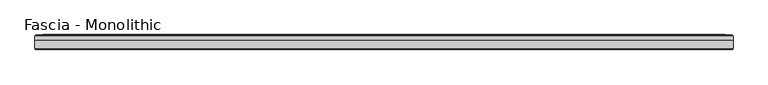
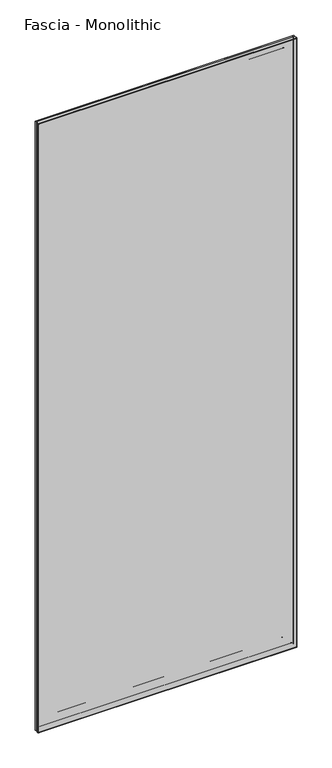
"""IFC4 building model written with IfcOpenShell, lengths in millimetres: proxy geometry, Fascia - Monolithic."""

from ifc_helpers import new_model, si_unit, frame, origin, place, context, project, spatial, ellipse_curve, source, transform, mapped, element, save
from ifc_brep_helpers import plane_surface, cylinder_surface, advanced_brep


def fascia_monolithic_f81b3ca3(model_context):
    return source(origin(), model_context, "Body", "AdvancedBrep", [
        advanced_brep(
        [(-556.258091, 15.8650077, 46.2434077), (556.258091, 15.8650077, 46.2434077), (556.5274987, 16.7386, 45.974), (-556.5274987, 16.7386, 45.974), (-557.4319063, 14.6911923, 45.0695923), (557.4319063, 14.6911923, 45.0695923), (-550.3453063, 15.8650077, 52.1561923), (550.3453063, 15.8650077, 52.1561923), (549.171491, 14.6911923, 53.3300077), (-549.171491, 14.6911923, 53.3300077), (-550.0758987, 16.7386, 52.4256), (550.0758987, 16.7386, 52.4256), (-533.7944987, 15.5956, 68.707), (533.7944987, 15.5956, 68.707), (534.5564987, 16.7386, 67.945), (-534.5564987, 16.7386, 67.945), (-521.4754987, 8.4836, 81.026), (521.4754987, 8.4836, 81.026), (521.4754987, 15.5956, 81.026), (-521.4754987, 15.5956, 81.026), (-602.5014987, 15.2146, 0.0), (602.5014987, 15.2146, 0.0), (602.5014987, 8.4836, 0.0), (-602.5014987, 8.4836, 0.0), (-600.9774987, 16.7386, 1.524), (600.9774987, 16.7386, 1.524), (-598.930091, 15.8650077, 3.5714077), (598.930091, 15.8650077, 3.5714077), (599.1994987, 16.7386, 3.302), (-599.1994987, 16.7386, 3.302), (-600.1039063, 14.6911923, 2.3975923), (600.1039063, 14.6911923, 2.3975923), (-593.0173063, 15.8650077, 9.4841923), (593.0173063, 15.8650077, 9.4841923), (591.843491, 14.6911923, 10.6580077), (-591.843491, 14.6911923, 10.6580077), (-592.7478987, 16.7386, 9.7536), (592.7478987, 16.7386, 9.7536), (-587.8583987, 16.7386, 14.6431), (587.8583987, 16.7386, 14.6431), (589.3823987, 16.7386, 13.1191), (-589.3823987, 16.7386, 13.1191), (-581.8893987, 16.7386, 20.6121), (581.8893987, 16.7386, 20.6121), (584.3023987, 16.7386, 18.1991), (-584.3023987, 16.7386, 18.1991), (556.258091, 15.8650077, 2946.4799923), (556.5274987, 16.7386, 2946.7494), (557.4319063, 14.6911923, 2947.6538077), (550.3453063, 15.8650077, 2940.5672077), (549.171491, 14.6911923, 2939.3933923), (550.0758987, 16.7386, 2940.2978), (533.7944987, 15.5956, 2924.0164), (534.5564987, 16.7386, 2924.7784), (521.4754987, 8.4836, 2911.6974), (521.4754987, 15.5956, 2911.6974), (602.5014987, 15.2146, 2992.7234), (602.5014987, 8.4836, 2992.7234), (600.9774987, 16.7386, 2991.1994), (598.930091, 15.8650077, 2989.1519923), (599.1994987, 16.7386, 2989.4214), (600.1039063, 14.6911923, 2990.3258077), (593.0173063, 15.8650077, 2983.2392077), (591.843491, 14.6911923, 2982.0653923), (592.7478987, 16.7386, 2982.9698), (587.8583987, 16.7386, 2978.0803), (589.3823987, 16.7386, 2979.6043), (581.8893987, 16.7386, 2972.1113), (584.3023987, 16.7386, 2974.5243), (-556.258091, 15.8650077, 2946.4799923), (-556.5274987, 16.7386, 2946.7494), (-557.4319063, 14.6911923, 2947.6538077), (-550.3453063, 15.8650077, 2940.5672077), (-549.171491, 14.6911923, 2939.3933923), (-550.0758987, 16.7386, 2940.2978), (-533.7944987, 15.5956, 2924.0164), (-534.5564987, 16.7386, 2924.7784), (-521.4754987, 8.4836, 2911.6974), (-521.4754987, 15.5956, 2911.6974), (-602.5014987, 15.2146, 2992.7234), (-602.5014987, 8.4836, 2992.7234), (-600.9774987, 16.7386, 2991.1994), (-598.930091, 15.8650077, 2989.1519923), (-599.1994987, 16.7386, 2989.4214), (-600.1039063, 14.6911923, 2990.3258077), (-593.0173063, 15.8650077, 2983.2392077), (-591.843491, 14.6911923, 2982.0653923), (-592.7478987, 16.7386, 2982.9698), (-587.8583987, 16.7386, 2978.0803), (-589.3823987, 16.7386, 2979.6043), (-581.8893987, 16.7386, 2972.1113), (-584.3023987, 16.7386, 2974.5243)],
        [
            (0, 1),
            (1, 2, ellipse_curve(frame((556.6236833, 16.2306, 45.8778154), z_axis=(-0.7071067811865475, 0.0, -0.7071067811865475), x_axis=(-0.7071067811865476, 0.0, 0.7071067811865474)), 0.7311846, 0.5170256)),
            (2, 3),
            (3, 0, ellipse_curve(frame((-556.6236833, 16.2306, 45.8778154), z_axis=(0.7071067811865475, 0.0, -0.7071067811865475), x_axis=(-0.7071067811865476, 0.0, -0.7071067811865474)), 0.7311846, 0.5170256)),
            (4, 5),
            (5, 1),
            (0, 4),
            (6, 7),
            (7, 8),
            (8, 9),
            (9, 6),
            (10, 11),
            (11, 7, ellipse_curve(frame((549.979714, 16.2306, 52.5217846), z_axis=(-0.7071067811865475, 0.0, -0.7071067811865475), x_axis=(-0.7071067811865476, 0.0, 0.7071067811865474)), 0.7311846, 0.5170256)),
            (6, 10, ellipse_curve(frame((-549.979714, 16.2306, 52.5217846), z_axis=(0.7071067811865475, 0.0, -0.7071067811865475), x_axis=(-0.7071067811865476, 0.0, -0.7071067811865474)), 0.7311846, 0.5170256)),
            (12, 13),
            (13, 14),
            (14, 15),
            (15, 12),
            (16, 17),
            (17, 18),
            (18, 19),
            (19, 16),
            (20, 21),
            (21, 22),
            (22, 23),
            (23, 20),
            (24, 25),
            (25, 21),
            (20, 24),
            (26, 27),
            (27, 28, ellipse_curve(frame((599.2956833, 16.2306, 3.2058154), z_axis=(-0.7071067811865475, 0.0, -0.7071067811865475), x_axis=(-0.7071067811865476, 0.0, 0.7071067811865474)), 0.7311846, 0.5170256)),
            (28, 29),
            (29, 26, ellipse_curve(frame((-599.2956833, 16.2306, 3.2058154), z_axis=(0.7071067811865475, 0.0, -0.7071067811865475), x_axis=(-0.7071067811865476, 0.0, -0.7071067811865474)), 0.7311846, 0.5170256)),
            (30, 31),
            (31, 27),
            (26, 30),
            (32, 33),
            (33, 34),
            (34, 35),
            (35, 32),
            (36, 37),
            (37, 33, ellipse_curve(frame((592.651714, 16.2306, 9.8497846), z_axis=(-0.7071067811865475, 0.0, -0.7071067811865475), x_axis=(-0.7071067811865476, 0.0, 0.7071067811865474)), 0.7311846, 0.5170256)),
            (32, 36, ellipse_curve(frame((-592.651714, 16.2306, 9.8497846), z_axis=(0.7071067811865475, 0.0, -0.7071067811865475), x_axis=(-0.7071067811865476, 0.0, -0.7071067811865474)), 0.7311846, 0.5170256)),
            (38, 39),
            (39, 40, ellipse_curve(frame((588.6203987, 16.7386, 13.8811), z_axis=(-0.7071067811865475, 0.0, -0.7071067811865475), x_axis=(-0.7071067811865476, 0.0, 0.7071067811865474)), 1.0776307, 0.762)),
            (40, 41),
            (41, 38, ellipse_curve(frame((-588.6203987, 16.7386, 13.8811), z_axis=(0.7071067811865475, 0.0, -0.7071067811865475), x_axis=(-0.7071067811865476, 0.0, -0.7071067811865474)), 1.0776307, 0.762)),
            (42, 43),
            (43, 44, ellipse_curve(frame((583.0958987, 16.0202269, 19.4056), z_axis=(-0.7071067811865475, 0.0, -0.7071067811865475), x_axis=(-0.7071067811865476, 0.0, 0.7071067811865474)), 1.9858007, 1.4041731)),
            (44, 45),
            (45, 42, ellipse_curve(frame((-583.0958987, 16.0202269, 19.4056), z_axis=(0.7071067811865475, 0.0, -0.7071067811865475), x_axis=(-0.7071067811865476, 0.0, -0.7071067811865474)), 1.9858007, 1.4041731)),
            (1, 46),
            (46, 47, ellipse_curve(frame((556.6236833, 16.2306, 2946.8455846), z_axis=(0.7071067811865475, 0.0, -0.7071067811865475), x_axis=(-0.7071067811865474, 0.0, -0.7071067811865476)), 0.7311846, 0.5170256)),
            (47, 2),
            (5, 48),
            (48, 46),
            (7, 49),
            (49, 50),
            (50, 8),
            (11, 51),
            (51, 49, ellipse_curve(frame((549.979714, 16.2306, 2940.2016154), z_axis=(0.7071067811865475, 0.0, -0.7071067811865475), x_axis=(-0.7071067811865474, 0.0, -0.7071067811865476)), 0.7311846, 0.5170256)),
            (13, 52),
            (52, 53),
            (53, 14),
            (17, 54),
            (54, 55),
            (55, 18),
            (21, 56),
            (56, 57),
            (57, 22),
            (25, 58),
            (58, 56),
            (27, 59),
            (59, 60, ellipse_curve(frame((599.2956833, 16.2306, 2989.5175846), z_axis=(0.7071067811865475, 0.0, -0.7071067811865475), x_axis=(-0.7071067811865474, 0.0, -0.7071067811865476)), 0.7311846, 0.5170256)),
            (60, 28),
            (31, 61),
            (61, 59),
            (33, 62),
            (62, 63),
            (63, 34),
            (37, 64),
            (64, 62, ellipse_curve(frame((592.651714, 16.2306, 2982.8736154), z_axis=(0.7071067811865475, 0.0, -0.7071067811865475), x_axis=(-0.7071067811865474, 0.0, -0.7071067811865476)), 0.7311846, 0.5170256)),
            (39, 65),
            (65, 66, ellipse_curve(frame((588.6203987, 16.7386, 2978.8423), z_axis=(0.7071067811865475, 0.0, -0.7071067811865475), x_axis=(-0.7071067811865474, 0.0, -0.7071067811865476)), 1.0776307, 0.762)),
            (66, 40),
            (43, 67),
            (67, 68, ellipse_curve(frame((583.0958987, 16.0202269, 2973.3178), z_axis=(0.7071067811865475, 0.0, -0.7071067811865475), x_axis=(-0.7071067811865474, 0.0, -0.7071067811865476)), 1.9858007, 1.4041731)),
            (68, 44),
            (46, 69),
            (69, 70, ellipse_curve(frame((-556.6236833, 16.2306, 2946.8455846), z_axis=(0.7071067811865475, 0.0, 0.7071067811865475), x_axis=(0.7071067811865476, 0.0, -0.7071067811865474)), 0.7311846, 0.5170256)),
            (70, 47),
            (48, 71),
            (71, 69),
            (49, 72),
            (72, 73),
            (73, 50),
            (51, 74),
            (74, 72, ellipse_curve(frame((-549.979714, 16.2306, 2940.2016154), z_axis=(0.7071067811865475, 0.0, 0.7071067811865475), x_axis=(0.7071067811865476, 0.0, -0.7071067811865474)), 0.7311846, 0.5170256)),
            (52, 75),
            (75, 76),
            (76, 53),
            (54, 77),
            (77, 78),
            (78, 55),
            (56, 79),
            (79, 80),
            (80, 57),
            (58, 81),
            (81, 79),
            (59, 82),
            (82, 83, ellipse_curve(frame((-599.2956833, 16.2306, 2989.5175846), z_axis=(0.7071067811865475, 0.0, 0.7071067811865475), x_axis=(0.7071067811865476, 0.0, -0.7071067811865474)), 0.7311846, 0.5170256)),
            (83, 60),
            (61, 84),
            (84, 82),
            (62, 85),
            (85, 86),
            (86, 63),
            (64, 87),
            (87, 85, ellipse_curve(frame((-592.651714, 16.2306, 2982.8736154), z_axis=(0.7071067811865475, 0.0, 0.7071067811865475), x_axis=(0.7071067811865476, 0.0, -0.7071067811865474)), 0.7311846, 0.5170256)),
            (65, 88),
            (88, 89, ellipse_curve(frame((-588.6203987, 16.7386, 2978.8423), z_axis=(0.7071067811865475, 0.0, 0.7071067811865475), x_axis=(0.7071067811865476, 0.0, -0.7071067811865474)), 1.0776307, 0.762)),
            (89, 66),
            (67, 90),
            (90, 91, ellipse_curve(frame((-583.0958987, 16.0202269, 2973.3178), z_axis=(0.7071067811865475, 0.0, 0.7071067811865475), x_axis=(0.7071067811865476, 0.0, -0.7071067811865474)), 1.9858007, 1.4041731)),
            (91, 68),
            (42, 90),
            (70, 3),
            (69, 0),
            (71, 4),
            (73, 9),
            (72, 6),
            (74, 10),
            (76, 15),
            (75, 12),
            (78, 19),
            (77, 16),
            (80, 23),
            (79, 20),
            (81, 24),
            (83, 29),
            (82, 26),
            (84, 30),
            (86, 35),
            (85, 32),
            (87, 36),
            (89, 41),
            (88, 38),
            (91, 45),
        ],
        [
            cylinder_surface(frame((-602.5014987, 16.2306, 45.8778154), z_axis=(-1.0, 0.0, 0.0), x_axis=(0.0, 0.0, 1.0)), 0.5170256),
            plane_surface(frame((-556.258091, 15.8650077, 46.2434077), z_axis=(0.0, -0.7071067813016592, 0.7071067810714359), x_axis=(1.0, 0.0, 0.0))),
            plane_surface(frame((-549.171491, 14.6911923, 53.3300077), z_axis=(0.0, -0.7071067813016237, -0.7071067810714713), x_axis=(1.0, 0.0, 0.0))),
            cylinder_surface(frame((-602.5014987, 16.2306, 52.5217846), z_axis=(-1.0, 0.0, 0.0), x_axis=(0.0, 0.0, 1.0)), 0.5170256),
            plane_surface(frame((-534.5564987, 16.7386, 67.945), z_axis=(0.0, 0.554700195976685, 0.8320502945035398), x_axis=(1.0, 0.0, 0.0))),
            plane_surface(frame((-521.4754987, 15.5956, 81.026), z_axis=(0.0, 0.0, 1.0), x_axis=(1.0, 0.0, 0.0))),
            plane_surface(frame((-602.5014987, 8.4836, 0.0), z_axis=(0.0, 0.0, -1.0), x_axis=(1.0, 0.0, 0.0))),
            plane_surface(frame((-602.5014987, 15.2146, 0.0), z_axis=(0.0, 0.7071067811865392, -0.7071067811865558), x_axis=(1.0, 0.0, 0.0))),
            cylinder_surface(frame((-602.5014987, 16.2306, 3.2058154), z_axis=(-1.0, 0.0, 0.0), x_axis=(0.0, 0.0, 1.0)), 0.5170256),
            plane_surface(frame((-598.930091, 15.8650077, 3.5714077), z_axis=(0.0, -0.707106781113895, 0.7071067812592001), x_axis=(1.0, 0.0, 0.0))),
            plane_surface(frame((-591.843491, 14.6911923, 10.6580077), z_axis=(0.0, -0.7071067811880475, -0.7071067811850476), x_axis=(1.0, 0.0, 0.0))),
            cylinder_surface(frame((-602.5014987, 16.2306, 9.8497846), z_axis=(-1.0, 0.0, 0.0), x_axis=(0.0, 0.0, 1.0)), 0.5170256),
            cylinder_surface(frame((-602.5014987, 16.7386, 13.8811), z_axis=(-1.0, 0.0, 0.0), x_axis=(0.0, 0.0, 1.0)), 0.762),
            cylinder_surface(frame((-602.5014987, 16.0202269, 19.4056), z_axis=(-1.0, 0.0, 0.0), x_axis=(0.0, 0.0, 1.0)), 1.4041731),
            cylinder_surface(frame((556.6236833, 16.2306, 0.0), z_axis=(0.0, 0.0, -1.0), x_axis=(-1.0, 0.0, 0.0)), 0.5170256),
            plane_surface(frame((556.258091, 15.8650077, 46.2434077), z_axis=(-0.7071067810714261, -0.7071067813016689, 0.0), x_axis=(0.0, 0.0, 1.0))),
            plane_surface(frame((549.171491, 14.6911923, 53.3300077), z_axis=(0.7071067810714811, -0.707106781301614, 0.0), x_axis=(0.0, 0.0, 1.0))),
            cylinder_surface(frame((549.979714, 16.2306, 0.0), z_axis=(0.0, 0.0, -1.0), x_axis=(-1.0, 0.0, 0.0)), 0.5170256),
            plane_surface(frame((534.5564987, 16.7386, 67.945), z_axis=(-0.8320502945035475, 0.5547001959766734, 0.0), x_axis=(0.0, 0.0, 1.0))),
            plane_surface(frame((521.4754987, 15.5956, 81.026), z_axis=(-1.0, 0.0, 0.0), x_axis=(0.0, 0.0, 1.0))),
            plane_surface(frame((602.5014987, 8.4836, 0.0), z_axis=(1.0, 0.0, 0.0), x_axis=(0.0, 0.0, 1.0))),
            plane_surface(frame((602.5014987, 15.2146, 0.0), z_axis=(0.707106781186546, 0.707106781186549, 0.0), x_axis=(0.0, 0.0, 1.0))),
            cylinder_surface(frame((599.2956833, 16.2306, 0.0), z_axis=(0.0, 0.0, -1.0), x_axis=(-1.0, 0.0, 0.0)), 0.5170256),
            plane_surface(frame((598.930091, 15.8650077, 3.5714077), z_axis=(-0.7071067812591904, -0.7071067811139048, 0.0), x_axis=(0.0, 0.0, 1.0))),
            plane_surface(frame((591.843491, 14.6911923, 10.6580077), z_axis=(0.7071067811850573, -0.7071067811880377, 0.0), x_axis=(0.0, 0.0, 1.0))),
            cylinder_surface(frame((592.651714, 16.2306, 0.0), z_axis=(0.0, 0.0, -1.0), x_axis=(-1.0, 0.0, 0.0)), 0.5170256),
            cylinder_surface(frame((588.6203987, 16.7386, 0.0), z_axis=(0.0, 0.0, -1.0), x_axis=(-1.0, 0.0, 0.0)), 0.762),
            cylinder_surface(frame((583.0958987, 16.0202269, 0.0), z_axis=(0.0, 0.0, -1.0), x_axis=(-1.0, 0.0, 0.0)), 1.4041731),
            cylinder_surface(frame((602.5014987, 16.2306, 2946.8455846), z_axis=(1.0, 0.0, 0.0), x_axis=(0.0, 0.0, -1.0)), 0.5170256),
            plane_surface(frame((556.258091, 15.8650077, 2946.4799923), z_axis=(0.0, -0.7071067813016787, -0.7071067810714163), x_axis=(-1.0, 0.0, 0.0))),
            plane_surface(frame((549.171491, 14.6911923, 2939.3933923), z_axis=(0.0, -0.7071067813016042, 0.7071067810714908), x_axis=(-1.0, 0.0, 0.0))),
            cylinder_surface(frame((602.5014987, 16.2306, 2940.2016154), z_axis=(1.0, 0.0, 0.0), x_axis=(0.0, 0.0, -1.0)), 0.5170256),
            plane_surface(frame((534.5564987, 16.7386, 2924.7784), z_axis=(0.0, 0.5547001959766619, -0.8320502945035552), x_axis=(-1.0, 0.0, 0.0))),
            plane_surface(frame((521.4754987, 15.5956, 2911.6974), z_axis=(0.0, 0.0, -1.0), x_axis=(-1.0, 0.0, 0.0))),
            plane_surface(frame((602.5014987, 8.4836, 2992.7234), z_axis=(0.0, 0.0, 1.0), x_axis=(-1.0, 0.0, 0.0))),
            plane_surface(frame((602.5014987, 15.2146, 2992.7234), z_axis=(0.0, 0.7071067811865588, 0.7071067811865362), x_axis=(-1.0, 0.0, 0.0))),
            cylinder_surface(frame((602.5014987, 16.2306, 2989.5175846), z_axis=(1.0, 0.0, 0.0), x_axis=(0.0, 0.0, -1.0)), 0.5170256),
            plane_surface(frame((598.930091, 15.8650077, 2989.1519923), z_axis=(0.0, -0.7071067811139146, -0.7071067812591806), x_axis=(-1.0, 0.0, 0.0))),
            plane_surface(frame((591.843491, 14.6911923, 2982.0653923), z_axis=(0.0, -0.7071067811880279, 0.7071067811850671), x_axis=(-1.0, 0.0, 0.0))),
            cylinder_surface(frame((602.5014987, 16.2306, 2982.8736154), z_axis=(1.0, 0.0, 0.0), x_axis=(0.0, 0.0, -1.0)), 0.5170256),
            cylinder_surface(frame((602.5014987, 16.7386, 2978.8423), z_axis=(1.0, 0.0, 0.0), x_axis=(0.0, 0.0, -1.0)), 0.762),
            cylinder_surface(frame((602.5014987, 16.0202269, 2973.3178), z_axis=(1.0, 0.0, 0.0), x_axis=(0.0, 0.0, -1.0)), 1.4041731),
            plane_surface(frame((-581.8893987, 16.7386, 2972.1113), z_axis=(0.0, 1.0, 0.0), x_axis=(0.0, 0.0, -1.0))),
            cylinder_surface(frame((-556.6236833, 16.2306, 2992.7234), z_axis=(0.0, 0.0, 1.0), x_axis=(1.0, 0.0, 0.0)), 0.5170256),
            plane_surface(frame((-556.258091, 15.8650077, 2946.4799923), z_axis=(0.7071067810714261, -0.7071067813016689, 0.0), x_axis=(0.0, 0.0, -1.0))),
            plane_surface(frame((-557.4319063, 14.6911923, 2947.6538077), z_axis=(0.0, 1.0, 0.0), x_axis=(0.0, 0.0, -1.0))),
            plane_surface(frame((-549.171491, 14.6911923, 2939.3933923), z_axis=(-0.7071067810714811, -0.707106781301614, 0.0), x_axis=(0.0, 0.0, -1.0))),
            cylinder_surface(frame((-549.979714, 16.2306, 2992.7234), z_axis=(0.0, 0.0, 1.0), x_axis=(1.0, 0.0, 0.0)), 0.5170256),
            plane_surface(frame((-550.0758987, 16.7386, 2940.2978), z_axis=(0.0, 1.0, 0.0), x_axis=(0.0, 0.0, -1.0))),
            plane_surface(frame((-534.5564987, 16.7386, 2924.7784), z_axis=(0.8320502945035475, 0.5547001959766734, 0.0), x_axis=(0.0, 0.0, -1.0))),
            plane_surface(frame((-533.7944987, 15.5956, 2924.0164), z_axis=(0.0, 1.0, 0.0), x_axis=(0.0, 0.0, -1.0))),
            plane_surface(frame((-521.4754987, 15.5956, 2911.6974), z_axis=(1.0, 0.0, 0.0), x_axis=(0.0, 0.0, -1.0))),
            plane_surface(frame((-521.4754987, 8.4836, 2911.6974), z_axis=(0.0, -1.0, 0.0), x_axis=(0.0, 0.0, -1.0))),
            plane_surface(frame((-602.5014987, 8.4836, 2992.7234), z_axis=(-1.0, 0.0, 0.0), x_axis=(0.0, 0.0, -1.0))),
            plane_surface(frame((-602.5014987, 15.2146, 2992.7234), z_axis=(-0.707106781186546, 0.707106781186549, 0.0), x_axis=(0.0, 0.0, -1.0))),
            plane_surface(frame((-600.9774987, 16.7386, 2991.1994), z_axis=(0.0, 1.0, 0.0), x_axis=(0.0, 0.0, -1.0))),
            cylinder_surface(frame((-599.2956833, 16.2306, 2992.7234), z_axis=(0.0, 0.0, 1.0), x_axis=(1.0, 0.0, 0.0)), 0.5170256),
            plane_surface(frame((-598.930091, 15.8650077, 2989.1519923), z_axis=(0.7071067812591904, -0.7071067811139048, 0.0), x_axis=(0.0, 0.0, -1.0))),
            plane_surface(frame((-600.1039063, 14.6911923, 2990.3258077), z_axis=(0.0, 1.0, 0.0), x_axis=(0.0, 0.0, -1.0))),
            plane_surface(frame((-591.843491, 14.6911923, 2982.0653923), z_axis=(-0.7071067811850573, -0.7071067811880377, 0.0), x_axis=(0.0, 0.0, -1.0))),
            cylinder_surface(frame((-592.651714, 16.2306, 2992.7234), z_axis=(0.0, 0.0, 1.0), x_axis=(1.0, 0.0, 0.0)), 0.5170256),
            plane_surface(frame((-592.7478987, 16.7386, 2982.9698), z_axis=(0.0, 1.0, 0.0), x_axis=(0.0, 0.0, -1.0))),
            cylinder_surface(frame((-588.6203987, 16.7386, 2992.7234), z_axis=(0.0, 0.0, 1.0), x_axis=(1.0, 0.0, 0.0)), 0.762),
            plane_surface(frame((-587.8583987, 16.7386, 2978.0803), z_axis=(0.0, 1.0, 0.0), x_axis=(0.0, 0.0, -1.0))),
            cylinder_surface(frame((-583.0958987, 16.0202269, 2992.7234), z_axis=(0.0, 0.0, 1.0), x_axis=(1.0, 0.0, 0.0)), 1.4041731),
        ],
        [
            (0, [[1, 2, 3, 4]]),
            (1, [[5, 6, -1, 7]]),
            (2, [[8, 9, 10, 11]]),
            (3, [[12, 13, -8, 14]]),
            (4, [[15, 16, 17, 18]]),
            (5, [[19, 20, 21, 22]]),
            (6, [[23, 24, 25, 26]]),
            (7, [[27, 28, -23, 29]]),
            (8, [[30, 31, 32, 33]]),
            (9, [[34, 35, -30, 36]]),
            (10, [[37, 38, 39, 40]]),
            (11, [[41, 42, -37, 43]]),
            (12, [[44, 45, 46, 47]]),
            (13, [[48, 49, 50, 51]]),
            (14, [[52, 53, 54, -2]]),
            (15, [[55, 56, -52, -6]]),
            (16, [[57, 58, 59, -9]]),
            (17, [[60, 61, -57, -13]]),
            (18, [[62, 63, 64, -16]]),
            (19, [[65, 66, 67, -20]]),
            (20, [[68, 69, 70, -24]]),
            (21, [[71, 72, -68, -28]]),
            (22, [[73, 74, 75, -31]]),
            (23, [[76, 77, -73, -35]]),
            (24, [[78, 79, 80, -38]]),
            (25, [[81, 82, -78, -42]]),
            (26, [[83, 84, 85, -45]]),
            (27, [[86, 87, 88, -49]]),
            (28, [[89, 90, 91, -53]]),
            (29, [[92, 93, -89, -56]]),
            (30, [[94, 95, 96, -58]]),
            (31, [[97, 98, -94, -61]]),
            (32, [[99, 100, 101, -63]]),
            (33, [[102, 103, 104, -66]]),
            (34, [[105, 106, 107, -69]]),
            (35, [[108, 109, -105, -72]]),
            (36, [[110, 111, 112, -74]]),
            (37, [[113, 114, -110, -77]]),
            (38, [[115, 116, 117, -79]]),
            (39, [[118, 119, -115, -82]]),
            (40, [[120, 121, 122, -84]]),
            (41, [[123, 124, 125, -87]]),
            (42, [[-48, 126, -123, -86], [-3, -54, -91, 127]]),
            (43, [[128, -4, -127, -90]]),
            (44, [[129, -7, -128, -93]]),
            (45, [[-5, -129, -92, -55], [-10, -59, -96, 130]]),
            (46, [[131, -11, -130, -95]]),
            (47, [[132, -14, -131, -98]]),
            (48, [[-12, -132, -97, -60], [-17, -64, -101, 133]]),
            (49, [[134, -18, -133, -100]]),
            (50, [[-15, -134, -99, -62], [-21, -67, -104, 135]]),
            (51, [[136, -22, -135, -103]]),
            (52, [[-25, -70, -107, 137], [-19, -136, -102, -65]]),
            (53, [[138, -26, -137, -106]]),
            (54, [[139, -29, -138, -109]]),
            (55, [[-27, -139, -108, -71], [-32, -75, -112, 140]]),
            (56, [[141, -33, -140, -111]]),
            (57, [[142, -36, -141, -114]]),
            (58, [[-34, -142, -113, -76], [-39, -80, -117, 143]]),
            (59, [[144, -40, -143, -116]]),
            (60, [[145, -43, -144, -119]]),
            (61, [[-41, -145, -118, -81], [-46, -85, -122, 146]]),
            (62, [[147, -47, -146, -121]]),
            (63, [[-44, -147, -120, -83], [-50, -88, -125, 148]]),
            (64, [[-126, -51, -148, -124]]),
        ],
    ),
        advanced_brep(
        [(-602.5014987, 8.4836, 2992.7234), (-602.5014987, -6.1862895, 2992.7234), (602.5014987, -6.1862895, 2992.7234), (602.5014987, 8.4836, 2992.7234), (602.5014987, 8.4836, 0.0), (602.5014987, -6.1862895, 0.0), (-602.5014987, -6.1862895, 0.0), (-602.5014987, 8.4836, 0.0), (600.2041882, -8.4836, 2.2973105), (600.2041882, -8.4836, 2990.4260895), (-600.2041882, -8.4836, 2990.4260895), (-600.2041882, -8.4836, 2.2973105)],
        [
            (0, 1),
            (1, 2),
            (2, 3),
            (3, 0),
            (4, 5),
            (5, 6),
            (6, 7),
            (7, 4),
            (8, 9),
            (9, 10),
            (10, 11),
            (11, 8),
            (6, 1),
            (0, 7),
            (3, 4),
            (2, 5),
            (11, 6, ellipse_curve(frame((-600.2041882, -6.1862895, 2.2973105), z_axis=(0.7071067811865475, 0.0, -0.7071067811865475), x_axis=(0.7071067811865476, 0.0, 0.7071067811865474)), 3.2488876, 2.2973105)),
            (5, 8, ellipse_curve(frame((600.2041882, -6.1862895, 2.2973105), z_axis=(-0.7071067811865475, 0.0, -0.7071067811865475), x_axis=(0.7071067811865476, 0.0, -0.7071067811865474)), 3.2488876, 2.2973105)),
            (2, 9, ellipse_curve(frame((600.2041882, -6.1862895, 2990.4260895), z_axis=(0.7071067811865475, 0.0, -0.7071067811865475), x_axis=(0.7071067811865474, 0.0, 0.7071067811865476)), 3.2488876, 2.2973105)),
            (1, 10, ellipse_curve(frame((-600.2041882, -6.1862895, 2990.4260895), z_axis=(0.7071067811865475, 0.0, 0.7071067811865475), x_axis=(-0.7071067811865476, 0.0, 0.7071067811865474)), 3.2488876, 2.2973105)),
        ],
        [
            plane_surface(frame((0.0, -198.5529455, 2992.7234), z_axis=(0.0, 0.0, 1.0), x_axis=(0.0, 1.0, 0.0))),
            plane_surface(frame((0.0, -198.5529455, 0.0), z_axis=(0.0, 0.0, -1.0), x_axis=(0.0, 1.0, 0.0))),
            plane_surface(frame((602.5014987, -8.4836, 2992.7234), z_axis=(0.0, -1.0, 0.0), x_axis=(0.0, 0.0, -1.0))),
            plane_surface(frame((-602.5014987, -8.4836, 2992.7234), z_axis=(-1.0, 0.0, 0.0), x_axis=(0.0, 0.0, -1.0))),
            plane_surface(frame((-602.5014987, 8.4836, 2992.7234), z_axis=(0.0, 1.0, 0.0), x_axis=(0.0, 0.0, -1.0))),
            plane_surface(frame((602.5014987, 8.4836, 2992.7234), z_axis=(1.0, 0.0, 0.0), x_axis=(0.0, 0.0, -1.0))),
            cylinder_surface(frame((-602.5014987, -6.1862895, 2.2973105), z_axis=(1.0, 0.0, 0.0), x_axis=(0.0, 1.0, 0.0)), 2.2973105),
            cylinder_surface(frame((600.2041882, -6.1862895, 0.0), z_axis=(0.0, 0.0, 1.0), x_axis=(0.0, 1.0, 0.0)), 2.2973105),
            cylinder_surface(frame((602.5014987, -6.1862895, 2990.4260895), z_axis=(-1.0, 0.0, 0.0), x_axis=(0.0, 1.0, 0.0)), 2.2973105),
            cylinder_surface(frame((-600.2041882, -6.1862895, 2992.7234), z_axis=(0.0, 0.0, -1.0), x_axis=(0.0, 1.0, 0.0)), 2.2973105),
        ],
        [
            (0, [[1, 2, 3, 4]]),
            (1, [[5, 6, 7, 8]]),
            (2, [[9, 10, 11, 12]]),
            (3, [[-7, 13, -1, 14]]),
            (4, [[15, -8, -14, -4]]),
            (5, [[-3, 16, -5, -15]]),
            (6, [[-12, 17, -6, 18]]),
            (7, [[-16, 19, -9, -18]]),
            (8, [[-2, 20, -10, -19]]),
            (9, [[-11, -20, -13, -17]]),
        ],
    ),
    ])


if __name__ == "__main__":
    model = new_model("IFC4")
    model_context = context("Model", 3, world=origin())
    ifc_project = project(units=[si_unit("LENGTHUNIT", "METRE", prefix="MILLI")], contexts=[model_context])
    site = spatial("IfcSite", under=ifc_project)
    building = spatial("IfcBuilding", under=site)
    placement = place(None, origin())
    fascia_monolithic_shape = fascia_monolithic_f81b3ca3(model_context)
    element("IfcBuildingElementProxy", 1, Name="Fascia - Monolithic", ObjectType="Fascia - Monolithic", at=placement, inside=building, context=model_context, shape_type="MappedRepresentation", body=[
        mapped(fascia_monolithic_shape, transform((0.0, 0.0, 0.0), x_axis=(1.0, 0.0, 0.0), y_axis=(0.0, 1.0, 0.0), z_axis=(0.0, 0.0, 1.0))),
    ])
    save(model, "model.ifc")
